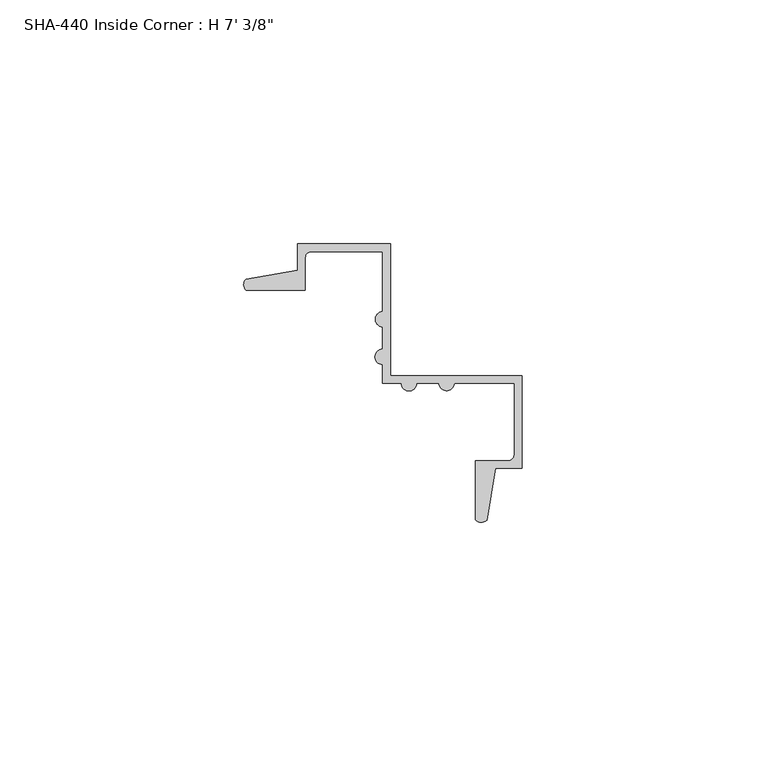
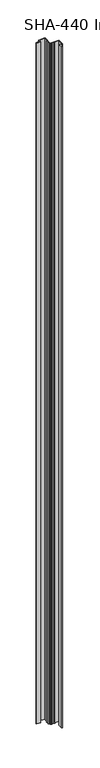
"""IFC4 building model written with IfcOpenShell, lengths in millimetres: proxy geometry."""

from ifc_helpers import new_model, si_unit, point, frame_2d, origin, origin_with_axes, place, context, project, spatial, polyline, circle_curve, trimmed, segment, composite_curve, outline, extrude, source, transform, mapped, element, save


def proxy_6453bb78(model_context):
    return source(origin(), model_context, "Body", "SweptSolid", [
        extrude(outline(composite_curve([segment(trimmed(circle_curve(frame_2d((-31.3617705, 15.7537316)), 1.6162393), [point((-32.4525282, 14.5610551))], [point((-32.518612, 16.8824244))], False, "CARTESIAN"), True, "CONTINUOUS"), segment(polyline([(-32.518612, 16.8824244), (-21.9425251, 18.6933982), (-21.9425251, 24.0860551), (-2.9179251, 24.0860551), (-2.9179251, -2.9141449), (24.0822749, -2.9141449), (24.0822749, -21.9387449), (18.689618, -21.9387449), (16.8786442, -32.5148318)]), True, "CONTINUOUS"), segment(trimmed(circle_curve(frame_2d((15.7499514, -31.3579903)), 1.6162393), [point((16.8786442, -32.5148318))], [point((14.5572749, -32.448748))], False, "CARTESIAN"), True, "CONTINUOUS"), segment(polyline([(14.5572749, -32.448748), (14.5572749, -20.3639449), (21.2374749, -20.3639449)]), True, "CONTINUOUS"), segment(trimmed(circle_curve(frame_2d((21.2374749, -19.0939449)), 1.27), [point((21.2374749, -20.3639449))], [point((22.5074749, -19.0939449))], True, "CARTESIAN"), True, "CONTINUOUS"), segment(polyline([(22.5074749, -19.0939449), (22.5074749, -4.4889449), (10.2138749, -4.4889449)]), True, "CONTINUOUS"), segment(trimmed(circle_curve(frame_2d((8.6390749, -4.3979594)), 1.5774262), [point((10.2138749, -4.4889449))], [point((7.0642749, -4.4889449))], False, "CARTESIAN"), True, "CONTINUOUS"), segment(polyline([(7.0642749, -4.4889449), (2.4795749, -4.4889449)]), True, "CONTINUOUS"), segment(trimmed(circle_curve(frame_2d((0.9047749, -4.4889449)), 1.5748), [point((2.4795749, -4.4889449))], [point((-0.6700251, -4.4889449))], False, "CARTESIAN"), True, "CONTINUOUS"), segment(polyline([(-0.6700251, -4.4889449), (-4.4927251, -4.4889449), (-4.4927251, -0.6662449)]), True, "CONTINUOUS"), segment(trimmed(circle_curve(frame_2d((-4.4927251, 0.9085551)), 1.5748), [point((-4.4927251, -0.6662449))], [point((-4.4927251, 2.4833551))], False, "CARTESIAN"), True, "CONTINUOUS"), segment(polyline([(-4.4927251, 2.4833551), (-4.4927251, 7.0680551)]), True, "CONTINUOUS"), segment(trimmed(circle_curve(frame_2d((-4.4017397, 8.6428551)), 1.5774262), [point((-4.4927251, 7.0680551))], [point((-4.4927251, 10.2176551))], False, "CARTESIAN"), True, "CONTINUOUS"), segment(polyline([(-4.4927251, 10.2176551), (-4.4927251, 22.5112551), (-19.0977251, 22.5112551)]), True, "CONTINUOUS"), segment(trimmed(circle_curve(frame_2d((-19.0977251, 21.2412551)), 1.27), [point((-19.0977251, 22.5112551))], [point((-20.3677251, 21.2412551))], True, "CARTESIAN"), True, "CONTINUOUS"), segment(polyline([(-20.3677251, 21.2412551), (-20.3677251, 14.5610551), (-32.4525282, 14.5610551)]), True, "CONTINUOUS")], self_intersect=False)), origin_with_axes(), (0.0, 0.0, 1.0), 2143.125),
    ])


if __name__ == "__main__":
    model = new_model("IFC4")
    model_context = context("Model", 3, world=origin())
    ifc_project = project(units=[si_unit("LENGTHUNIT", "METRE", prefix="MILLI")], contexts=[model_context])
    site = spatial("IfcSite", under=ifc_project)
    building = spatial("IfcBuilding", under=site)
    placement = place(None, origin())
    proxy_shape = proxy_6453bb78(model_context)
    element("IfcBuildingElementProxy", 1, Name="SHA-440 Inside Corner : H 7' 3/8\"", ObjectType="SHA-440 Inside Corner : H 7' 3/8\"", at=placement, inside=building, context=model_context, shape_type="MappedRepresentation", body=[
        mapped(proxy_shape, transform((0.0, 0.0, 0.0), x_axis=(1.0, 0.0, 0.0), y_axis=(0.0, 1.0, 0.0), z_axis=(0.0, 0.0, 1.0))),
    ])
    save(model, "model.ifc")
